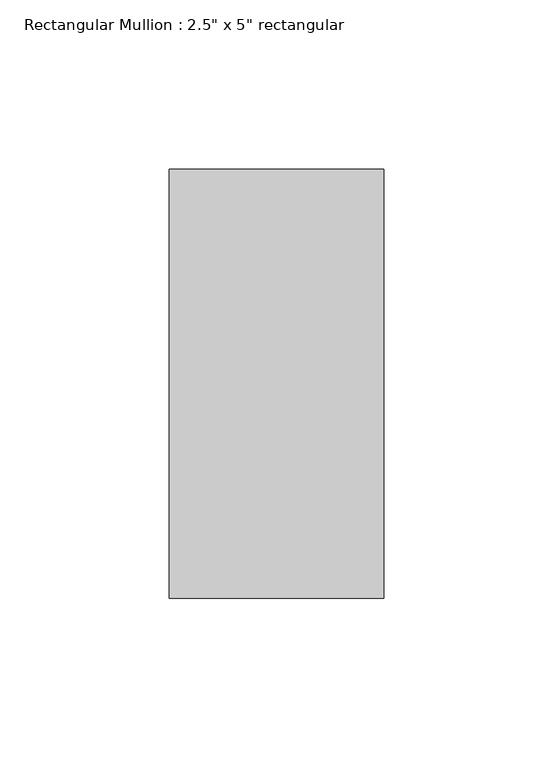
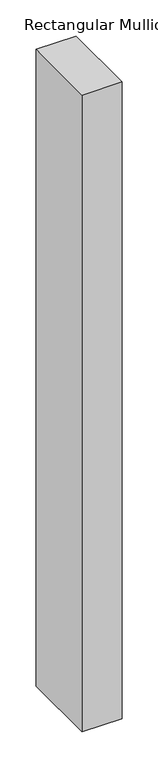
"""IFC4 building model written with IfcOpenShell, lengths in millimetres: member geometry."""

from ifc_helpers import new_model, si_unit, frame, origin, place, context, project, spatial, polyline, outline, extrude, source, transform, mapped, element, save


def member_0f61b456(model_context):
    return source(origin(), model_context, "Body", "SweptSolid", [
        extrude(outline(polyline([(31.75, 63.5), (31.75, -63.5), (-31.75, -63.5), (-31.75, 63.5), (31.75, 63.5)])), frame((0.0, 0.0, -1073.1500001), z_axis=(0.0, 0.0, 1.0), x_axis=(1.0, 0.0, 0.0)), (0.0, 0.0, 1.0), 1073.1500001),
    ])


if __name__ == "__main__":
    model = new_model("IFC4")
    model_context = context("Model", 3, world=origin())
    ifc_project = project(units=[si_unit("LENGTHUNIT", "METRE", prefix="MILLI")], contexts=[model_context])
    site = spatial("IfcSite", under=ifc_project)
    building = spatial("IfcBuilding", under=site)
    placement = place(None, origin())
    member_shape = member_0f61b456(model_context)
    element("IfcMember", 1, ObjectType="Rectangular Mullion : 2.5\" x 5\" rectangular", at=placement, inside=building, context=model_context, shape_type="MappedRepresentation", body=[
        mapped(member_shape, transform((0.0, 0.0, 0.0), x_axis=(1.0, 0.0, 0.0), y_axis=(0.0, 1.0, 0.0), z_axis=(0.0, 0.0, 1.0))),
    ])
    save(model, "model.ifc")
